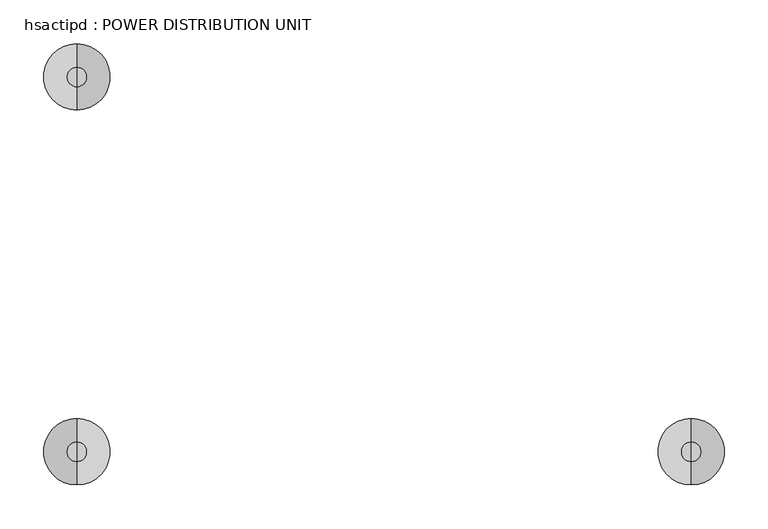
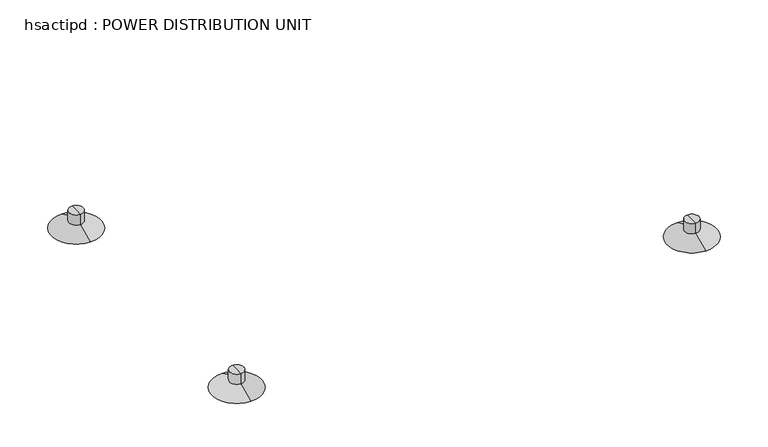
"""IFC4 building model written with IfcOpenShell, lengths in millimetres: proxy geometry, hsactipd : POWER DISTRIBUTION UNIT."""

from ifc_helpers import new_model, si_unit, frame, origin, place, context, project, spatial, polyline, circle_curve, source, transform, mapped, element, save
from ifc_brep_helpers import plane_surface, cylinder_surface, revolved_surface, advanced_brep


def hsactipd_power_distribution_unit_bc988c1e(model_context):
    return source(origin(), model_context, "Body", "AdvancedBrep", [
        advanced_brep(
        [(745.5569365, -772.4014458, 29.0798949), (745.5569365, -783.4466317, 29.0798949), (745.5569365, -761.3562599, 29.0798949), (745.5569365, -783.4466317, 12.6661982), (745.5569365, -761.3562599, 12.6661982), (745.5569365, -810.2531246, 0.1661253), (745.5569365, -734.549767, 0.1661253), (745.5569365, -772.4014458, 0.1661253)],
        [
            (0, 1),
            (1, 2, circle_curve(frame((745.5569365, -772.4014458, 29.0798949), z_axis=(0.0, 0.0, 1.0), x_axis=(0.0, -1.0, 0.0)), 11.0451859)),
            (2, 0),
            (2, 1, circle_curve(frame((745.5569365, -772.4014458, 29.0798949), z_axis=(0.0, 0.0, 1.0), x_axis=(0.0, -1.0, 0.0)), 11.0451859)),
            (1, 3),
            (3, 4, circle_curve(frame((745.5569365, -772.4014458, 12.6661982), z_axis=(0.0, 0.0, 1.0), x_axis=(0.0, -1.0, 0.0)), 11.0451859)),
            (4, 2),
            (4, 3, circle_curve(frame((745.5569365, -772.4014458, 12.6661982), z_axis=(0.0, 0.0, 1.0), x_axis=(0.0, -1.0, 0.0)), 11.0451859)),
            (3, 5),
            (5, 6, circle_curve(frame((745.5569365, -772.4014458, 0.1661253), z_axis=(0.0, 0.0, 1.0), x_axis=(0.0, -1.0, 0.0)), 37.8516788)),
            (6, 4),
            (6, 5, circle_curve(frame((745.5569365, -772.4014458, 0.1661253), z_axis=(0.0, 0.0, 1.0), x_axis=(0.0, -1.0, 0.0)), 37.8516788)),
            (5, 7),
            (7, 6),
        ],
        [
            plane_surface(frame((745.5569365, -772.4014458, 29.0798949), z_axis=(0.0, 0.0, 1.0), x_axis=(0.0, -1.0, 0.0))),
            cylinder_surface(frame((745.5569365, -772.4014458, 29.0798949), z_axis=(0.0, 0.0, 1.0), x_axis=(0.0, -1.0, 0.0)), 11.0451859),
            revolved_surface(polyline([(745.5569365, -810.2531246, 0.1661253), (745.5569365, -783.4466317, 12.6661982)]), (745.5569365, -772.4014458, 29.0798949), (0.0, 0.0, 1.0)),
            plane_surface(frame((745.5569365, -772.4014458, 0.1661253), z_axis=(0.0, 0.0, -1.0), x_axis=(0.0, -1.0, 0.0))),
        ],
        [
            (0, [[1, 2, 3]]),
            (0, [[-3, 4, -1]]),
            (1, [[-2, 5, 6, 7]]),
            (1, [[-4, -7, 8, -5]]),
            (2, [[-6, 9, 10, 11]]),
            (2, [[-8, -11, 12, -9]]),
            (3, [[-10, 13, 14]]),
            (3, [[-12, -14, -13]]),
        ],
    ),
        advanced_brep(
        [(44.9449241, -344.5451811, 29.0798949), (44.9449241, -333.4999952, 29.0798949), (44.9449241, -355.590367, 29.0798949), (44.9449241, -333.4999952, 12.6661982), (44.9449241, -355.590367, 12.6661982), (44.9449241, -306.6935023, 0.1661253), (44.9449241, -382.3968599, 0.1661253), (44.9449241, -344.5451811, 0.1661253)],
        [
            (0, 1),
            (1, 2, circle_curve(frame((44.9449241, -344.5451811, 29.0798949), z_axis=(0.0, 0.0, 1.0), x_axis=(0.0, 1.0, 0.0)), 11.0451859)),
            (2, 0),
            (2, 1, circle_curve(frame((44.9449241, -344.5451811, 29.0798949), z_axis=(0.0, 0.0, 1.0), x_axis=(0.0, 1.0, 0.0)), 11.0451859)),
            (1, 3),
            (3, 4, circle_curve(frame((44.9449241, -344.5451811, 12.6661982), z_axis=(0.0, 0.0, 1.0), x_axis=(0.0, 1.0, 0.0)), 11.0451859)),
            (4, 2),
            (4, 3, circle_curve(frame((44.9449241, -344.5451811, 12.6661982), z_axis=(0.0, 0.0, 1.0), x_axis=(0.0, 1.0, 0.0)), 11.0451859)),
            (3, 5),
            (5, 6, circle_curve(frame((44.9449241, -344.5451811, 0.1661253), z_axis=(0.0, 0.0, 1.0), x_axis=(0.0, 1.0, 0.0)), 37.8516788)),
            (6, 4),
            (6, 5, circle_curve(frame((44.9449241, -344.5451811, 0.1661253), z_axis=(0.0, 0.0, 1.0), x_axis=(0.0, 1.0, 0.0)), 37.8516788)),
            (5, 7),
            (7, 6),
        ],
        [
            plane_surface(frame((44.9449241, -344.5451811, 29.0798949), z_axis=(0.0, 0.0, 1.0), x_axis=(0.0, 1.0, 0.0))),
            cylinder_surface(frame((44.9449241, -344.5451811, 29.0798949), z_axis=(0.0, 0.0, 1.0), x_axis=(0.0, 1.0, 0.0)), 11.0451859),
            revolved_surface(polyline([(44.9449241, -306.6935023, 0.1661253), (44.9449241, -333.4999952, 12.6661982)]), (44.9449241, -344.5451811, 29.0798949), (0.0, 0.0, 1.0)),
            plane_surface(frame((44.9449241, -344.5451811, 0.1661253), z_axis=(0.0, 0.0, -1.0), x_axis=(0.0, 1.0, 0.0))),
        ],
        [
            (0, [[1, 2, 3]]),
            (0, [[-3, 4, -1]]),
            (1, [[-2, 5, 6, 7]]),
            (1, [[-4, -7, 8, -5]]),
            (2, [[-6, 9, 10, 11]]),
            (2, [[-8, -11, 12, -9]]),
            (3, [[-10, 13, 14]]),
            (3, [[-12, -14, -13]]),
        ],
    ),
        advanced_brep(
        [(44.9449241, -761.3562599, 29.0798949), (44.9449241, -783.4466317, 29.0798949), (44.9449241, -772.4014458, 29.0798949), (44.9449241, -761.3562599, 12.6661982), (44.9449241, -783.4466317, 12.6661982), (44.9449241, -734.549767, 0.1661253), (44.9449241, -810.2531246, 0.1661253), (44.9449241, -772.4014458, 0.1661253)],
        [
            (0, 1, circle_curve(frame((44.9449241, -772.4014458, 29.0798949), z_axis=(0.0, 0.0, 1.0), x_axis=(0.0, -1.0, 0.0)), 11.0451859)),
            (1, 2),
            (2, 0),
            (1, 0, circle_curve(frame((44.9449241, -772.4014458, 29.0798949), z_axis=(0.0, 0.0, 1.0), x_axis=(0.0, -1.0, 0.0)), 11.0451859)),
            (3, 4, circle_curve(frame((44.9449241, -772.4014458, 12.6661982), z_axis=(0.0, 0.0, 1.0), x_axis=(0.0, -1.0, 0.0)), 11.0451859)),
            (4, 1),
            (0, 3),
            (4, 3, circle_curve(frame((44.9449241, -772.4014458, 12.6661982), z_axis=(0.0, 0.0, 1.0), x_axis=(0.0, -1.0, 0.0)), 11.0451859)),
            (5, 6, circle_curve(frame((44.9449241, -772.4014458, 0.1661253), z_axis=(0.0, 0.0, 1.0), x_axis=(0.0, -1.0, 0.0)), 37.8516788)),
            (6, 4),
            (3, 5),
            (6, 5, circle_curve(frame((44.9449241, -772.4014458, 0.1661253), z_axis=(0.0, 0.0, 1.0), x_axis=(0.0, -1.0, 0.0)), 37.8516788)),
            (7, 6),
            (5, 7),
        ],
        [
            plane_surface(frame((44.9449241, -772.4014458, 29.0798949), z_axis=(0.0, 0.0, 1.0), x_axis=(0.0, -1.0, 0.0))),
            cylinder_surface(frame((44.9449241, -772.4014458, 29.0798949), z_axis=(0.0, 0.0, -1.0), x_axis=(0.0, -1.0, 0.0)), 11.0451859),
            revolved_surface(polyline([(44.9449241, -783.4466317, 12.6661982), (44.9449241, -810.2531246, 0.1661253)]), (44.9449241, -772.4014458, 29.0798949), (0.0, 0.0, -1.0)),
            plane_surface(frame((44.9449241, -772.4014458, 0.1661253), z_axis=(0.0, 0.0, -1.0), x_axis=(0.0, -1.0, 0.0))),
        ],
        [
            (0, [[1, 2, 3]]),
            (0, [[4, -3, -2]]),
            (1, [[5, 6, -1, 7]]),
            (1, [[8, -7, -4, -6]]),
            (2, [[9, 10, -5, 11]]),
            (2, [[12, -11, -8, -10]]),
            (3, [[13, -9, 14]]),
            (3, [[-14, -12, -13]]),
        ],
    ),
    ])


if __name__ == "__main__":
    model = new_model("IFC4")
    model_context = context("Model", 3, world=origin())
    ifc_project = project(units=[si_unit("LENGTHUNIT", "METRE", prefix="MILLI")], contexts=[model_context])
    site = spatial("IfcSite", under=ifc_project)
    building = spatial("IfcBuilding", under=site)
    placement = place(None, origin())
    hsactipd_power_distribution_unit_shape = hsactipd_power_distribution_unit_bc988c1e(model_context)
    element("IfcBuildingElementProxy", 1, Name="hsactipd : POWER DISTRIBUTION UNIT", ObjectType="hsactipd : POWER DISTRIBUTION UNIT", at=placement, inside=building, context=model_context, shape_type="MappedRepresentation", body=[
        mapped(hsactipd_power_distribution_unit_shape, transform((0.0, 0.0, 0.0), x_axis=(1.0, 0.0, 0.0), y_axis=(0.0, 1.0, 0.0), z_axis=(0.0, 0.0, 1.0))),
    ])
    save(model, "model.ifc")
